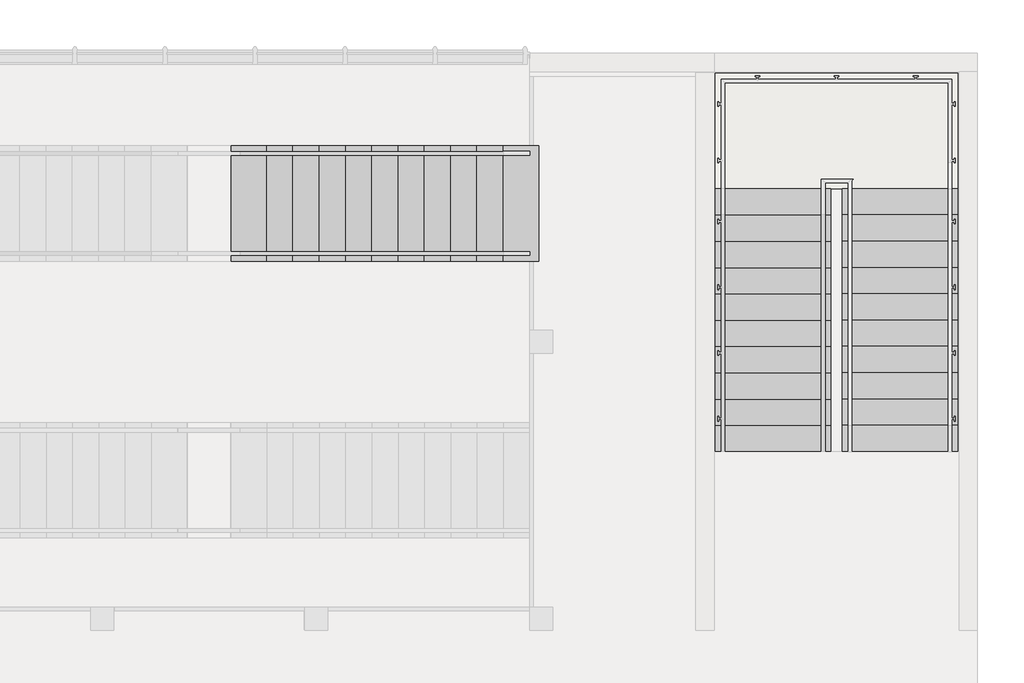
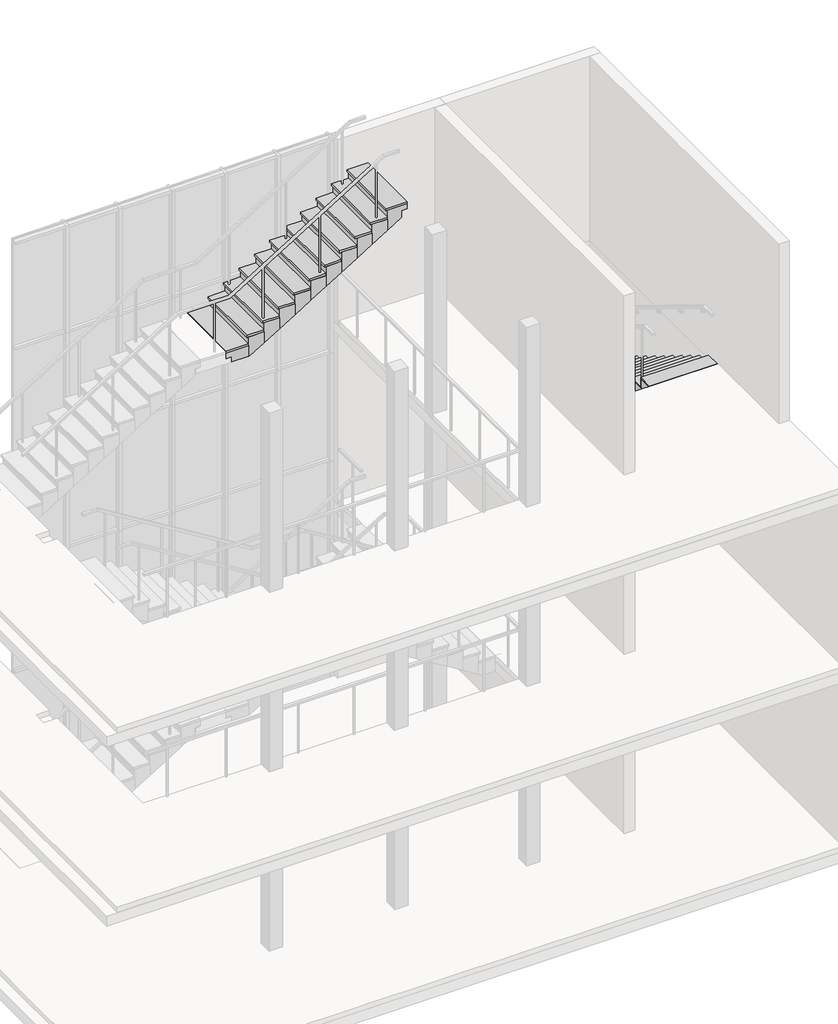
# Not in any storey, part 4 of 4: 5 stair flights, 2 slabs.
"""IFC4 building model written with IfcOpenShell, lengths in millimetres."""

from ifc_helpers import new_model, si_unit, frame, origin, origin_with_axes, place, context, project, spatial, polyline, outline, extrude, faceted_brep, element, save

model = new_model("IFC4")

# Units and contexts
model_context = context("Model", 3, world=origin())
ifc_project = project(units=[si_unit("LENGTHUNIT", "METRE", prefix="MILLI")], contexts=[model_context])

# Site, building
site = spatial("IfcSite", under=ifc_project)
building = spatial("IfcBuilding", under=site)

# Slabs
placement = place(None, origin())
element("IfcSlab", 1, ObjectType="Podest 180", at=placement, inside=building, context=model_context, shape_type="SolidModel", body=[
    faceted_brep([(10954.6, 6835.4, 5230.0), (12204.6, 6835.4, 5230.0), (12329.6, 6835.4, 5230.0), (12329.6, 6815.4, 5230.0), (13579.6, 6815.4, 5230.0), (13579.6, 6835.4, 5230.0), (13579.6, 8085.4, 5230.0), (10954.6, 8085.4, 5230.0), (10954.6, 6911.902663, 5230.0), (10954.6, 6835.4, 4983.0246806), (12204.6, 6835.4, 4983.0246806), (12204.6, 6835.4, 5030.0), (12329.6, 6835.4, 5030.0), (12329.6, 6815.4, 5030.0), (13579.6, 6815.4, 5030.0), (13579.6, 6835.4, 5030.0), (13579.6, 8085.4, 5030.0), (10954.6, 8085.4, 5030.0), (10954.6, 6911.902663, 5030.0), (12204.6, 6911.902663, 5030.0)], [[[0, 1, 2, 3, 4, 5, 6, 7, 8]], [[1, 0, 9, 10, 11]], [[2, 1, 11, 12]], [[3, 2, 12, 13]], [[4, 3, 13, 14]], [[5, 4, 14, 15]], [[6, 5, 15, 16]], [[7, 6, 16, 17]], [[9, 0, 8, 7, 17, 18]], [[19, 18, 17, 16, 15, 14, 13, 12, 11]], [[18, 19, 10, 9]], [[19, 11, 10]]]),
    extrude(outline(polyline([(10954.6, 6835.4), (10954.6, 8085.4), (13579.6, 8085.4), (13579.6, 6835.4), (13579.6, 6815.4), (12329.6, 6815.4), (12329.6, 6835.4), (12204.6, 6835.4), (10954.6, 6835.4)])), frame((0.0, 0.0, 5230.0), z_axis=(0.0, 0.0, 1.0), x_axis=(1.0, 0.0, 0.0)), (0.0, 0.0, 1.0), 20.0),
])
element("IfcSlab", 2, ObjectType="Podest 180", at=placement, inside=building, context=model_context, shape_type="SolidModel", body=[
    faceted_brep([(10954.6, 6835.4, 1730.0), (12204.6, 6835.4, 1730.0), (12329.6, 6835.4, 1730.0), (12329.6, 6815.4, 1730.0), (13579.6, 6815.4, 1730.0), (13579.6, 6835.4, 1730.0), (13579.6, 8085.4, 1730.0), (10954.6, 8085.4, 1730.0), (10954.6, 6911.902663, 1730.0), (10954.6, 6835.4, 1483.0246806), (12204.6, 6835.4, 1483.0246806), (12204.6, 6835.4, 1530.0), (12329.6, 6835.4, 1530.0), (12329.6, 6815.4, 1530.0), (13579.6, 6815.4, 1530.0), (13579.6, 6835.4, 1530.0), (13579.6, 8085.4, 1530.0), (10954.6, 8085.4, 1530.0), (10954.6, 6911.902663, 1530.0), (12204.6, 6911.902663, 1530.0)], [[[0, 1, 2, 3, 4, 5, 6, 7, 8]], [[1, 0, 9, 10, 11]], [[2, 1, 11, 12]], [[3, 2, 12, 13]], [[4, 3, 13, 14]], [[5, 4, 14, 15]], [[6, 5, 15, 16]], [[7, 6, 16, 17]], [[9, 0, 8, 7, 17, 18]], [[19, 18, 17, 16, 15, 14, 13, 12, 11]], [[18, 19, 10, 9]], [[19, 11, 10]]]),
    extrude(outline(polyline([(10954.6, 6835.4), (10954.6, 8085.4), (13579.6, 8085.4), (13579.6, 6835.4), (13579.6, 6815.4), (12329.6, 6815.4), (12329.6, 6835.4), (12204.6, 6835.4), (10954.6, 6835.4)])), frame((0.0, 0.0, 1730.0), z_axis=(0.0, 0.0, 1.0), x_axis=(1.0, 0.0, 0.0)), (0.0, 0.0, 1.0), 20.0),
])

# Stair flights
element("IfcStairFlight", 3, at=placement, inside=building, context=model_context, shape_type="SolidModel", body=[
    faceted_brep([(10954.6, 4290.4, 3655.0), (10954.6, 4005.4, 3655.0), (12204.6, 4005.4, 3655.0), (12204.6, 4290.4, 3655.0), (10954.6, 4290.4, 3500.0), (10954.6, 4005.4, 3500.0), (12204.6, 4005.4, 3500.0), (12204.6, 4290.4, 3500.0), (10954.6, 4575.4, 3830.0), (10954.6, 4290.4, 3830.0), (12204.6, 4290.4, 3830.0), (12204.6, 4575.4, 3830.0), (10954.6, 4575.4, 3595.3053823), (10954.6, 4420.1883773, 3500.0), (12204.6, 4420.1883773, 3500.0), (12204.6, 4575.4, 3595.3053823), (10954.6, 4860.4, 4005.0), (10954.6, 4575.4, 4005.0), (12204.6, 4575.4, 4005.0), (12204.6, 4860.4, 4005.0), (10954.6, 4860.4, 3770.3053823), (12204.6, 4860.4, 3770.3053823), (10954.6, 5145.4, 4180.0), (10954.6, 4860.4, 4180.0), (12204.6, 4860.4, 4180.0), (12204.6, 5145.4, 4180.0), (10954.6, 5145.4, 3945.3053823), (12204.6, 5145.4, 3945.3053823), (10954.6, 5430.4, 4355.0), (10954.6, 5145.4, 4355.0), (12204.6, 5145.4, 4355.0), (12204.6, 5430.4, 4355.0), (10954.6, 5430.4, 4120.3053823), (12204.6, 5430.4, 4120.3053823), (10954.6, 5715.4, 4530.0), (10954.6, 5430.4, 4530.0), (12204.6, 5430.4, 4530.0), (12204.6, 5715.4, 4530.0), (10954.6, 5715.4, 4295.3053823), (12204.6, 5715.4, 4295.3053823), (10954.6, 6000.4, 4705.0), (10954.6, 5715.4, 4705.0), (12204.6, 5715.4, 4705.0), (12204.6, 6000.4, 4705.0), (10954.6, 6000.4, 4470.3053823), (12204.6, 6000.4, 4470.3053823), (10954.6, 6285.4, 4880.0), (10954.6, 6000.4, 4880.0), (12204.6, 6000.4, 4880.0), (12204.6, 6285.4, 4880.0), (10954.6, 6285.4, 4645.3053823), (12204.6, 6285.4, 4645.3053823), (10954.6, 6570.4, 5055.0), (10954.6, 6285.4, 5055.0), (12204.6, 6285.4, 5055.0), (12204.6, 6570.4, 5055.0), (10954.6, 6570.4, 4820.3053823), (12204.6, 6570.4, 4820.3053823), (10954.6, 6835.4, 5230.0), (10954.6, 6570.4, 5230.0), (12204.6, 6570.4, 5230.0), (12204.6, 6835.4, 5230.0), (10954.6, 6835.4, 4983.0246806), (12204.6, 6835.4, 4983.0246806), (12204.6, 6835.4, 5030.0)], [[[0, 1, 2, 3]], [[1, 0, 4, 5]], [[2, 1, 5, 6]], [[3, 2, 6, 7]], [[8, 9, 10, 11]], [[4, 0, 9, 8, 12, 13]], [[0, 3, 10, 9]], [[3, 7, 14, 15, 11, 10]], [[16, 17, 18, 19]], [[17, 16, 20, 12, 8]], [[8, 11, 18, 17]], [[19, 18, 11, 15, 21]], [[22, 23, 24, 25]], [[23, 22, 26, 20, 16]], [[16, 19, 24, 23]], [[25, 24, 19, 21, 27]], [[28, 29, 30, 31]], [[29, 28, 32, 26, 22]], [[22, 25, 30, 29]], [[31, 30, 25, 27, 33]], [[34, 35, 36, 37]], [[35, 34, 38, 32, 28]], [[28, 31, 36, 35]], [[37, 36, 31, 33, 39]], [[40, 41, 42, 43]], [[41, 40, 44, 38, 34]], [[34, 37, 42, 41]], [[43, 42, 37, 39, 45]], [[46, 47, 48, 49]], [[47, 46, 50, 44, 40]], [[40, 43, 48, 47]], [[49, 48, 43, 45, 51]], [[52, 53, 54, 55]], [[53, 52, 56, 50, 46]], [[46, 49, 54, 53]], [[55, 54, 49, 51, 57]], [[58, 59, 60, 61]], [[59, 58, 62, 56, 52]], [[52, 55, 60, 59]], [[61, 60, 55, 57, 63, 64]], [[58, 61, 64, 63, 62]], [[5, 4, 13, 14, 7, 6]], [[14, 13, 12, 20, 26, 32, 38, 44, 50, 56, 62, 63, 57, 51, 45, 39, 33, 27, 21, 15]]]),
    extrude(outline(polyline([(12204.6, 4005.4), (12204.6, 3985.4), (10954.6, 3985.4), (10954.6, 4005.4), (12204.6, 4005.4)])), frame((0.0, 0.0, 3500.0), z_axis=(0.0, 0.0, 1.0), x_axis=(1.0, 0.0, 0.0)), (0.0, 0.0, 1.0), 155.0),
    extrude(outline(polyline([(10954.6, 4290.4), (12204.6, 4290.4), (12204.6, 3985.4), (10954.6, 3985.4), (10954.6, 4290.4)])), frame((0.0, 0.0, 3655.0), z_axis=(0.0, 0.0, 1.0), x_axis=(1.0, 0.0, 0.0)), (0.0, 0.0, 1.0), 20.0),
    extrude(outline(polyline([(12204.6, 4290.4), (12204.6, 4270.4), (10954.6, 4270.4), (10954.6, 4290.4), (12204.6, 4290.4)])), frame((0.0, 0.0, 3675.0), z_axis=(0.0, 0.0, 1.0), x_axis=(1.0, 0.0, 0.0)), (0.0, 0.0, 1.0), 155.0),
    extrude(outline(polyline([(10954.6, 4575.4), (12204.6, 4575.4), (12204.6, 4270.4), (10954.6, 4270.4), (10954.6, 4575.4)])), frame((0.0, 0.0, 3830.0), z_axis=(0.0, 0.0, 1.0), x_axis=(1.0, 0.0, 0.0)), (0.0, 0.0, 1.0), 20.0),
    extrude(outline(polyline([(12204.6, 4575.4), (12204.6, 4555.4), (10954.6, 4555.4), (10954.6, 4575.4), (12204.6, 4575.4)])), frame((0.0, 0.0, 3850.0), z_axis=(0.0, 0.0, 1.0), x_axis=(1.0, 0.0, 0.0)), (0.0, 0.0, 1.0), 155.0),
    extrude(outline(polyline([(10954.6, 4860.4), (12204.6, 4860.4), (12204.6, 4555.4), (10954.6, 4555.4), (10954.6, 4860.4)])), frame((0.0, 0.0, 4005.0), z_axis=(0.0, 0.0, 1.0), x_axis=(1.0, 0.0, 0.0)), (0.0, 0.0, 1.0), 20.0),
    extrude(outline(polyline([(12204.6, 4860.4), (12204.6, 4840.4), (10954.6, 4840.4), (10954.6, 4860.4), (12204.6, 4860.4)])), frame((0.0, 0.0, 4025.0), z_axis=(0.0, 0.0, 1.0), x_axis=(1.0, 0.0, 0.0)), (0.0, 0.0, 1.0), 155.0),
    extrude(outline(polyline([(10954.6, 5145.4), (12204.6, 5145.4), (12204.6, 4840.4), (10954.6, 4840.4), (10954.6, 5145.4)])), frame((0.0, 0.0, 4180.0), z_axis=(0.0, 0.0, 1.0), x_axis=(1.0, 0.0, 0.0)), (0.0, 0.0, 1.0), 20.0),
    extrude(outline(polyline([(12204.6, 5145.4), (12204.6, 5125.4), (10954.6, 5125.4), (10954.6, 5145.4), (12204.6, 5145.4)])), frame((0.0, 0.0, 4200.0), z_axis=(0.0, 0.0, 1.0), x_axis=(1.0, 0.0, 0.0)), (0.0, 0.0, 1.0), 155.0),
    extrude(outline(polyline([(10954.6, 5430.4), (12204.6, 5430.4), (12204.6, 5125.4), (10954.6, 5125.4), (10954.6, 5430.4)])), frame((0.0, 0.0, 4355.0), z_axis=(0.0, 0.0, 1.0), x_axis=(1.0, 0.0, 0.0)), (0.0, 0.0, 1.0), 20.0),
    extrude(outline(polyline([(12204.6, 5430.4), (12204.6, 5410.4), (10954.6, 5410.4), (10954.6, 5430.4), (12204.6, 5430.4)])), frame((0.0, 0.0, 4375.0), z_axis=(0.0, 0.0, 1.0), x_axis=(1.0, 0.0, 0.0)), (0.0, 0.0, 1.0), 155.0),
    extrude(outline(polyline([(10954.6, 5715.4), (12204.6, 5715.4), (12204.6, 5410.4), (10954.6, 5410.4), (10954.6, 5715.4)])), frame((0.0, 0.0, 4530.0), z_axis=(0.0, 0.0, 1.0), x_axis=(1.0, 0.0, 0.0)), (0.0, 0.0, 1.0), 20.0),
    extrude(outline(polyline([(12204.6, 5715.4), (12204.6, 5695.4), (10954.6, 5695.4), (10954.6, 5715.4), (12204.6, 5715.4)])), frame((0.0, 0.0, 4550.0), z_axis=(0.0, 0.0, 1.0), x_axis=(1.0, 0.0, 0.0)), (0.0, 0.0, 1.0), 155.0),
    extrude(outline(polyline([(10954.6, 6000.4), (12204.6, 6000.4), (12204.6, 5695.4), (10954.6, 5695.4), (10954.6, 6000.4)])), frame((0.0, 0.0, 4705.0), z_axis=(0.0, 0.0, 1.0), x_axis=(1.0, 0.0, 0.0)), (0.0, 0.0, 1.0), 20.0),
    extrude(outline(polyline([(12204.6, 6000.4), (12204.6, 5980.4), (10954.6, 5980.4), (10954.6, 6000.4), (12204.6, 6000.4)])), frame((0.0, 0.0, 4725.0), z_axis=(0.0, 0.0, 1.0), x_axis=(1.0, 0.0, 0.0)), (0.0, 0.0, 1.0), 155.0),
    extrude(outline(polyline([(10954.6, 6285.4), (12204.6, 6285.4), (12204.6, 5980.4), (10954.6, 5980.4), (10954.6, 6285.4)])), frame((0.0, 0.0, 4880.0), z_axis=(0.0, 0.0, 1.0), x_axis=(1.0, 0.0, 0.0)), (0.0, 0.0, 1.0), 20.0),
    extrude(outline(polyline([(12204.6, 6285.4), (12204.6, 6265.4), (10954.6, 6265.4), (10954.6, 6285.4), (12204.6, 6285.4)])), frame((0.0, 0.0, 4900.0), z_axis=(0.0, 0.0, 1.0), x_axis=(1.0, 0.0, 0.0)), (0.0, 0.0, 1.0), 155.0),
    extrude(outline(polyline([(10954.6, 6570.4), (12204.6, 6570.4), (12204.6, 6265.4), (10954.6, 6265.4), (10954.6, 6570.4)])), frame((0.0, 0.0, 5055.0), z_axis=(0.0, 0.0, 1.0), x_axis=(1.0, 0.0, 0.0)), (0.0, 0.0, 1.0), 20.0),
    extrude(outline(polyline([(12204.6, 6570.4), (12204.6, 6550.4), (10954.6, 6550.4), (10954.6, 6570.4), (12204.6, 6570.4)])), frame((0.0, 0.0, 5075.0), z_axis=(0.0, 0.0, 1.0), x_axis=(1.0, 0.0, 0.0)), (0.0, 0.0, 1.0), 155.0),
    extrude(outline(polyline([(10954.6, 6835.4), (12204.6, 6835.4), (12204.6, 6550.4), (10954.6, 6550.4), (10954.6, 6835.4)])), frame((0.0, 0.0, 5230.0), z_axis=(0.0, 0.0, 1.0), x_axis=(1.0, 0.0, 0.0)), (0.0, 0.0, 1.0), 20.0),
])
element("IfcStairFlight", 4, at=placement, inside=building, context=model_context, shape_type="SolidModel", body=[
    faceted_brep([(13579.6, 6815.4, 5405.0), (12329.6, 6815.4, 5405.0), (12329.6, 6758.897337, 5405.0), (12329.6, 6530.4, 5405.0), (13579.6, 6530.4, 5405.0), (13579.6, 6758.897337, 5405.0), (13579.6, 6530.4, 5170.3053823), (13579.6, 6758.897337, 5030.0), (13579.6, 6815.4, 5030.0), (13579.6, 6815.4, 5230.0), (12329.6, 6815.4, 5030.0), (12329.6, 6815.4, 5230.0), (12329.6, 6758.897337, 5030.0), (12329.6, 6530.4, 5170.3053823), (13579.6, 6245.4, 5580.0), (13579.6, 6530.4, 5580.0), (12329.6, 6530.4, 5580.0), (12329.6, 6245.4, 5580.0), (13579.6, 6245.4, 5345.3053823), (12329.6, 6245.4, 5345.3053823), (13579.6, 5960.4, 5755.0), (13579.6, 6245.4, 5755.0), (12329.6, 6245.4, 5755.0), (12329.6, 5960.4, 5755.0), (13579.6, 5960.4, 5520.3053823), (12329.6, 5960.4, 5520.3053823), (13579.6, 5675.4, 5930.0), (13579.6, 5960.4, 5930.0), (12329.6, 5960.4, 5930.0), (12329.6, 5675.4, 5930.0), (13579.6, 5675.4, 5695.3053823), (12329.6, 5675.4, 5695.3053823), (13579.6, 5390.4, 6105.0), (13579.6, 5675.4, 6105.0), (12329.6, 5675.4, 6105.0), (12329.6, 5390.4, 6105.0), (13579.6, 5390.4, 5870.3053823), (12329.6, 5390.4, 5870.3053823), (13579.6, 5105.4, 6280.0), (13579.6, 5390.4, 6280.0), (12329.6, 5390.4, 6280.0), (12329.6, 5105.4, 6280.0), (13579.6, 5105.4, 6045.3053823), (12329.6, 5105.4, 6045.3053823), (13579.6, 4820.4, 6455.0), (13579.6, 5105.4, 6455.0), (12329.6, 5105.4, 6455.0), (12329.6, 4820.4, 6455.0), (13579.6, 4820.4, 6220.3053823), (12329.6, 4820.4, 6220.3053823), (13579.6, 4535.4, 6630.0), (13579.6, 4820.4, 6630.0), (12329.6, 4820.4, 6630.0), (12329.6, 4535.4, 6630.0), (13579.6, 4535.4, 6395.3053823), (12329.6, 4535.4, 6395.3053823), (13579.6, 4250.4, 6805.0), (13579.6, 4535.4, 6805.0), (12329.6, 4535.4, 6805.0), (12329.6, 4250.4, 6805.0), (13579.6, 4250.4, 6570.3053823), (12329.6, 4250.4, 6570.3053823), (13579.6, 3985.4, 6980.0), (13579.6, 4250.4, 6980.0), (12329.6, 4250.4, 6980.0), (12329.6, 3985.4, 6980.0), (13579.6, 3985.4, 6733.0246806), (12329.6, 3985.4, 6733.0246806)], [[[0, 1, 2, 3, 4, 5]], [[4, 6, 7, 8, 9, 0, 5]], [[1, 0, 9, 8, 10, 11]], [[1, 11, 10, 12, 13, 3, 2]], [[14, 15, 16, 17]], [[15, 14, 18, 6, 4]], [[16, 15, 4, 3]], [[17, 16, 3, 13, 19]], [[20, 21, 22, 23]], [[21, 20, 24, 18, 14]], [[22, 21, 14, 17]], [[23, 22, 17, 19, 25]], [[26, 27, 28, 29]], [[27, 26, 30, 24, 20]], [[28, 27, 20, 23]], [[29, 28, 23, 25, 31]], [[32, 33, 34, 35]], [[33, 32, 36, 30, 26]], [[34, 33, 26, 29]], [[35, 34, 29, 31, 37]], [[38, 39, 40, 41]], [[39, 38, 42, 36, 32]], [[40, 39, 32, 35]], [[41, 40, 35, 37, 43]], [[44, 45, 46, 47]], [[45, 44, 48, 42, 38]], [[46, 45, 38, 41]], [[47, 46, 41, 43, 49]], [[50, 51, 52, 53]], [[51, 50, 54, 48, 44]], [[52, 51, 44, 47]], [[53, 52, 47, 49, 55]], [[56, 57, 58, 59]], [[57, 56, 60, 54, 50]], [[58, 57, 50, 53]], [[59, 58, 53, 55, 61]], [[62, 63, 64, 65]], [[63, 62, 66, 60, 56]], [[64, 63, 56, 59]], [[65, 64, 59, 61, 67]], [[62, 65, 67, 66]], [[12, 7, 6, 18, 24, 30, 36, 42, 48, 54, 60, 66, 67, 61, 55, 49, 43, 37, 31, 25, 19, 13]], [[7, 12, 10, 8]]]),
    extrude(outline(polyline([(12329.6, 6815.4), (12329.6, 6835.4), (13579.6, 6835.4), (13579.6, 6815.4), (12329.6, 6815.4)])), frame((0.0, 0.0, 5250.0), z_axis=(0.0, 0.0, 1.0), x_axis=(1.0, 0.0, 0.0)), (0.0, 0.0, 1.0), 155.0),
    extrude(outline(polyline([(13579.6, 6530.4), (12329.6, 6530.4), (12329.6, 6835.4), (13579.6, 6835.4), (13579.6, 6530.4)])), frame((0.0, 0.0, 5405.0), z_axis=(0.0, 0.0, 1.0), x_axis=(1.0, 0.0, 0.0)), (0.0, 0.0, 1.0), 20.0),
    extrude(outline(polyline([(12329.6, 6530.4), (12329.6, 6550.4), (13579.6, 6550.4), (13579.6, 6530.4), (12329.6, 6530.4)])), frame((0.0, 0.0, 5425.0), z_axis=(0.0, 0.0, 1.0), x_axis=(1.0, 0.0, 0.0)), (0.0, 0.0, 1.0), 155.0),
    extrude(outline(polyline([(13579.6, 6245.4), (12329.6, 6245.4), (12329.6, 6550.4), (13579.6, 6550.4), (13579.6, 6245.4)])), frame((0.0, 0.0, 5580.0), z_axis=(0.0, 0.0, 1.0), x_axis=(1.0, 0.0, 0.0)), (0.0, 0.0, 1.0), 20.0),
    extrude(outline(polyline([(12329.6, 6245.4), (12329.6, 6265.4), (13579.6, 6265.4), (13579.6, 6245.4), (12329.6, 6245.4)])), frame((0.0, 0.0, 5600.0), z_axis=(0.0, 0.0, 1.0), x_axis=(1.0, 0.0, 0.0)), (0.0, 0.0, 1.0), 155.0),
    extrude(outline(polyline([(13579.6, 5960.4), (12329.6, 5960.4), (12329.6, 6265.4), (13579.6, 6265.4), (13579.6, 5960.4)])), frame((0.0, 0.0, 5755.0), z_axis=(0.0, 0.0, 1.0), x_axis=(1.0, 0.0, 0.0)), (0.0, 0.0, 1.0), 20.0),
    extrude(outline(polyline([(12329.6, 5960.4), (12329.6, 5980.4), (13579.6, 5980.4), (13579.6, 5960.4), (12329.6, 5960.4)])), frame((0.0, 0.0, 5775.0), z_axis=(0.0, 0.0, 1.0), x_axis=(1.0, 0.0, 0.0)), (0.0, 0.0, 1.0), 155.0),
    extrude(outline(polyline([(13579.6, 5675.4), (12329.6, 5675.4), (12329.6, 5980.4), (13579.6, 5980.4), (13579.6, 5675.4)])), frame((0.0, 0.0, 5930.0), z_axis=(0.0, 0.0, 1.0), x_axis=(1.0, 0.0, 0.0)), (0.0, 0.0, 1.0), 20.0),
    extrude(outline(polyline([(12329.6, 5675.4), (12329.6, 5695.4), (13579.6, 5695.4), (13579.6, 5675.4), (12329.6, 5675.4)])), frame((0.0, 0.0, 5950.0), z_axis=(0.0, 0.0, 1.0), x_axis=(1.0, 0.0, 0.0)), (0.0, 0.0, 1.0), 155.0),
    extrude(outline(polyline([(13579.6, 5390.4), (12329.6, 5390.4), (12329.6, 5695.4), (13579.6, 5695.4), (13579.6, 5390.4)])), frame((0.0, 0.0, 6105.0), z_axis=(0.0, 0.0, 1.0), x_axis=(1.0, 0.0, 0.0)), (0.0, 0.0, 1.0), 20.0),
    extrude(outline(polyline([(12329.6, 5390.4), (12329.6, 5410.4), (13579.6, 5410.4), (13579.6, 5390.4), (12329.6, 5390.4)])), frame((0.0, 0.0, 6125.0), z_axis=(0.0, 0.0, 1.0), x_axis=(1.0, 0.0, 0.0)), (0.0, 0.0, 1.0), 155.0),
    extrude(outline(polyline([(13579.6, 5105.4), (12329.6, 5105.4), (12329.6, 5410.4), (13579.6, 5410.4), (13579.6, 5105.4)])), frame((0.0, 0.0, 6280.0), z_axis=(0.0, 0.0, 1.0), x_axis=(1.0, 0.0, 0.0)), (0.0, 0.0, 1.0), 20.0),
    extrude(outline(polyline([(12329.6, 5105.4), (12329.6, 5125.4), (13579.6, 5125.4), (13579.6, 5105.4), (12329.6, 5105.4)])), frame((0.0, 0.0, 6300.0), z_axis=(0.0, 0.0, 1.0), x_axis=(1.0, 0.0, 0.0)), (0.0, 0.0, 1.0), 155.0),
    extrude(outline(polyline([(13579.6, 4820.4), (12329.6, 4820.4), (12329.6, 5125.4), (13579.6, 5125.4), (13579.6, 4820.4)])), frame((0.0, 0.0, 6455.0), z_axis=(0.0, 0.0, 1.0), x_axis=(1.0, 0.0, 0.0)), (0.0, 0.0, 1.0), 20.0),
    extrude(outline(polyline([(12329.6, 4820.4), (12329.6, 4840.4), (13579.6, 4840.4), (13579.6, 4820.4), (12329.6, 4820.4)])), frame((0.0, 0.0, 6475.0), z_axis=(0.0, 0.0, 1.0), x_axis=(1.0, 0.0, 0.0)), (0.0, 0.0, 1.0), 155.0),
    extrude(outline(polyline([(13579.6, 4535.4), (12329.6, 4535.4), (12329.6, 4840.4), (13579.6, 4840.4), (13579.6, 4535.4)])), frame((0.0, 0.0, 6630.0), z_axis=(0.0, 0.0, 1.0), x_axis=(1.0, 0.0, 0.0)), (0.0, 0.0, 1.0), 20.0),
    extrude(outline(polyline([(12329.6, 4535.4), (12329.6, 4555.4), (13579.6, 4555.4), (13579.6, 4535.4), (12329.6, 4535.4)])), frame((0.0, 0.0, 6650.0), z_axis=(0.0, 0.0, 1.0), x_axis=(1.0, 0.0, 0.0)), (0.0, 0.0, 1.0), 155.0),
    extrude(outline(polyline([(13579.6, 4250.4), (12329.6, 4250.4), (12329.6, 4555.4), (13579.6, 4555.4), (13579.6, 4250.4)])), frame((0.0, 0.0, 6805.0), z_axis=(0.0, 0.0, 1.0), x_axis=(1.0, 0.0, 0.0)), (0.0, 0.0, 1.0), 20.0),
    extrude(outline(polyline([(12329.6, 4250.4), (12329.6, 4270.4), (13579.6, 4270.4), (13579.6, 4250.4), (12329.6, 4250.4)])), frame((0.0, 0.0, 6825.0), z_axis=(0.0, 0.0, 1.0), x_axis=(1.0, 0.0, 0.0)), (0.0, 0.0, 1.0), 155.0),
    extrude(outline(polyline([(13579.6, 3985.4), (12329.6, 3985.4), (12329.6, 4270.4), (13579.6, 4270.4), (13579.6, 3985.4)])), frame((0.0, 0.0, 6980.0), z_axis=(0.0, 0.0, 1.0), x_axis=(1.0, 0.0, 0.0)), (0.0, 0.0, 1.0), 20.0),
])
element("IfcStairFlight", 5, at=placement, inside=building, context=model_context, shape_type="SolidModel", body=[
    faceted_brep([(10954.6, 4290.4, 155.0), (10954.6, 4005.4, 155.0), (12204.6, 4005.4, 155.0), (12204.6, 4290.4, 155.0), (10954.6, 4290.4, 0.0), (10954.6, 4005.4, 0.0), (12204.6, 4005.4, 0.0), (12204.6, 4290.4, 0.0), (10954.6, 4575.4, 330.0), (10954.6, 4290.4, 330.0), (12204.6, 4290.4, 330.0), (12204.6, 4575.4, 330.0), (10954.6, 4575.4, 95.3053823), (10954.6, 4420.1883773, 0.0), (12204.6, 4420.1883773, 0.0), (12204.6, 4575.4, 95.3053823), (10954.6, 4860.4, 505.0), (10954.6, 4575.4, 505.0), (12204.6, 4575.4, 505.0), (12204.6, 4860.4, 505.0), (10954.6, 4860.4, 270.3053823), (12204.6, 4860.4, 270.3053823), (10954.6, 5145.4, 680.0), (10954.6, 4860.4, 680.0), (12204.6, 4860.4, 680.0), (12204.6, 5145.4, 680.0), (10954.6, 5145.4, 445.3053823), (12204.6, 5145.4, 445.3053823), (10954.6, 5430.4, 855.0), (10954.6, 5145.4, 855.0), (12204.6, 5145.4, 855.0), (12204.6, 5430.4, 855.0), (10954.6, 5430.4, 620.3053823), (12204.6, 5430.4, 620.3053823), (10954.6, 5715.4, 1030.0), (10954.6, 5430.4, 1030.0), (12204.6, 5430.4, 1030.0), (12204.6, 5715.4, 1030.0), (10954.6, 5715.4, 795.3053823), (12204.6, 5715.4, 795.3053823), (10954.6, 6000.4, 1205.0), (10954.6, 5715.4, 1205.0), (12204.6, 5715.4, 1205.0), (12204.6, 6000.4, 1205.0), (10954.6, 6000.4, 970.3053823), (12204.6, 6000.4, 970.3053823), (10954.6, 6285.4, 1380.0), (10954.6, 6000.4, 1380.0), (12204.6, 6000.4, 1380.0), (12204.6, 6285.4, 1380.0), (10954.6, 6285.4, 1145.3053823), (12204.6, 6285.4, 1145.3053823), (10954.6, 6570.4, 1555.0), (10954.6, 6285.4, 1555.0), (12204.6, 6285.4, 1555.0), (12204.6, 6570.4, 1555.0), (10954.6, 6570.4, 1320.3053823), (12204.6, 6570.4, 1320.3053823), (10954.6, 6835.4, 1730.0), (10954.6, 6570.4, 1730.0), (12204.6, 6570.4, 1730.0), (12204.6, 6835.4, 1730.0), (10954.6, 6835.4, 1483.0246806), (12204.6, 6835.4, 1483.0246806), (12204.6, 6835.4, 1530.0)], [[[0, 1, 2, 3]], [[1, 0, 4, 5]], [[2, 1, 5, 6]], [[3, 2, 6, 7]], [[8, 9, 10, 11]], [[4, 0, 9, 8, 12, 13]], [[0, 3, 10, 9]], [[3, 7, 14, 15, 11, 10]], [[16, 17, 18, 19]], [[17, 16, 20, 12, 8]], [[8, 11, 18, 17]], [[19, 18, 11, 15, 21]], [[22, 23, 24, 25]], [[23, 22, 26, 20, 16]], [[16, 19, 24, 23]], [[25, 24, 19, 21, 27]], [[28, 29, 30, 31]], [[29, 28, 32, 26, 22]], [[22, 25, 30, 29]], [[31, 30, 25, 27, 33]], [[34, 35, 36, 37]], [[35, 34, 38, 32, 28]], [[28, 31, 36, 35]], [[37, 36, 31, 33, 39]], [[40, 41, 42, 43]], [[41, 40, 44, 38, 34]], [[34, 37, 42, 41]], [[43, 42, 37, 39, 45]], [[46, 47, 48, 49]], [[47, 46, 50, 44, 40]], [[40, 43, 48, 47]], [[49, 48, 43, 45, 51]], [[52, 53, 54, 55]], [[53, 52, 56, 50, 46]], [[46, 49, 54, 53]], [[55, 54, 49, 51, 57]], [[58, 59, 60, 61]], [[59, 58, 62, 56, 52]], [[52, 55, 60, 59]], [[61, 60, 55, 57, 63, 64]], [[58, 61, 64, 63, 62]], [[5, 4, 13, 14, 7, 6]], [[14, 13, 12, 20, 26, 32, 38, 44, 50, 56, 62, 63, 57, 51, 45, 39, 33, 27, 21, 15]]]),
    extrude(outline(polyline([(12204.6, 4005.4), (12204.6, 3985.4), (10954.6, 3985.4), (10954.6, 4005.4), (12204.6, 4005.4)])), origin_with_axes(), (0.0, 0.0, 1.0), 155.0),
    extrude(outline(polyline([(10954.6, 4290.4), (12204.6, 4290.4), (12204.6, 3985.4), (10954.6, 3985.4), (10954.6, 4290.4)])), frame((0.0, 0.0, 155.0), z_axis=(0.0, 0.0, 1.0), x_axis=(1.0, 0.0, 0.0)), (0.0, 0.0, 1.0), 20.0),
    extrude(outline(polyline([(12204.6, 4290.4), (12204.6, 4270.4), (10954.6, 4270.4), (10954.6, 4290.4), (12204.6, 4290.4)])), frame((0.0, 0.0, 175.0), z_axis=(0.0, 0.0, 1.0), x_axis=(1.0, 0.0, 0.0)), (0.0, 0.0, 1.0), 155.0),
    extrude(outline(polyline([(10954.6, 4575.4), (12204.6, 4575.4), (12204.6, 4270.4), (10954.6, 4270.4), (10954.6, 4575.4)])), frame((0.0, 0.0, 330.0), z_axis=(0.0, 0.0, 1.0), x_axis=(1.0, 0.0, 0.0)), (0.0, 0.0, 1.0), 20.0),
    extrude(outline(polyline([(12204.6, 4575.4), (12204.6, 4555.4), (10954.6, 4555.4), (10954.6, 4575.4), (12204.6, 4575.4)])), frame((0.0, 0.0, 350.0), z_axis=(0.0, 0.0, 1.0), x_axis=(1.0, 0.0, 0.0)), (0.0, 0.0, 1.0), 155.0),
    extrude(outline(polyline([(10954.6, 4860.4), (12204.6, 4860.4), (12204.6, 4555.4), (10954.6, 4555.4), (10954.6, 4860.4)])), frame((0.0, 0.0, 505.0), z_axis=(0.0, 0.0, 1.0), x_axis=(1.0, 0.0, 0.0)), (0.0, 0.0, 1.0), 20.0),
    extrude(outline(polyline([(12204.6, 4860.4), (12204.6, 4840.4), (10954.6, 4840.4), (10954.6, 4860.4), (12204.6, 4860.4)])), frame((0.0, 0.0, 525.0), z_axis=(0.0, 0.0, 1.0), x_axis=(1.0, 0.0, 0.0)), (0.0, 0.0, 1.0), 155.0),
    extrude(outline(polyline([(10954.6, 5145.4), (12204.6, 5145.4), (12204.6, 4840.4), (10954.6, 4840.4), (10954.6, 5145.4)])), frame((0.0, 0.0, 680.0), z_axis=(0.0, 0.0, 1.0), x_axis=(1.0, 0.0, 0.0)), (0.0, 0.0, 1.0), 20.0),
    extrude(outline(polyline([(12204.6, 5145.4), (12204.6, 5125.4), (10954.6, 5125.4), (10954.6, 5145.4), (12204.6, 5145.4)])), frame((0.0, 0.0, 700.0), z_axis=(0.0, 0.0, 1.0), x_axis=(1.0, 0.0, 0.0)), (0.0, 0.0, 1.0), 155.0),
    extrude(outline(polyline([(10954.6, 5430.4), (12204.6, 5430.4), (12204.6, 5125.4), (10954.6, 5125.4), (10954.6, 5430.4)])), frame((0.0, 0.0, 855.0), z_axis=(0.0, 0.0, 1.0), x_axis=(1.0, 0.0, 0.0)), (0.0, 0.0, 1.0), 20.0),
    extrude(outline(polyline([(12204.6, 5430.4), (12204.6, 5410.4), (10954.6, 5410.4), (10954.6, 5430.4), (12204.6, 5430.4)])), frame((0.0, 0.0, 875.0), z_axis=(0.0, 0.0, 1.0), x_axis=(1.0, 0.0, 0.0)), (0.0, 0.0, 1.0), 155.0),
    extrude(outline(polyline([(10954.6, 5715.4), (12204.6, 5715.4), (12204.6, 5410.4), (10954.6, 5410.4), (10954.6, 5715.4)])), frame((0.0, 0.0, 1030.0), z_axis=(0.0, 0.0, 1.0), x_axis=(1.0, 0.0, 0.0)), (0.0, 0.0, 1.0), 20.0),
    extrude(outline(polyline([(12204.6, 5715.4), (12204.6, 5695.4), (10954.6, 5695.4), (10954.6, 5715.4), (12204.6, 5715.4)])), frame((0.0, 0.0, 1050.0), z_axis=(0.0, 0.0, 1.0), x_axis=(1.0, 0.0, 0.0)), (0.0, 0.0, 1.0), 155.0),
    extrude(outline(polyline([(10954.6, 6000.4), (12204.6, 6000.4), (12204.6, 5695.4), (10954.6, 5695.4), (10954.6, 6000.4)])), frame((0.0, 0.0, 1205.0), z_axis=(0.0, 0.0, 1.0), x_axis=(1.0, 0.0, 0.0)), (0.0, 0.0, 1.0), 20.0),
    extrude(outline(polyline([(12204.6, 6000.4), (12204.6, 5980.4), (10954.6, 5980.4), (10954.6, 6000.4), (12204.6, 6000.4)])), frame((0.0, 0.0, 1225.0), z_axis=(0.0, 0.0, 1.0), x_axis=(1.0, 0.0, 0.0)), (0.0, 0.0, 1.0), 155.0),
    extrude(outline(polyline([(10954.6, 6285.4), (12204.6, 6285.4), (12204.6, 5980.4), (10954.6, 5980.4), (10954.6, 6285.4)])), frame((0.0, 0.0, 1380.0), z_axis=(0.0, 0.0, 1.0), x_axis=(1.0, 0.0, 0.0)), (0.0, 0.0, 1.0), 20.0),
    extrude(outline(polyline([(12204.6, 6285.4), (12204.6, 6265.4), (10954.6, 6265.4), (10954.6, 6285.4), (12204.6, 6285.4)])), frame((0.0, 0.0, 1400.0), z_axis=(0.0, 0.0, 1.0), x_axis=(1.0, 0.0, 0.0)), (0.0, 0.0, 1.0), 155.0),
    extrude(outline(polyline([(10954.6, 6570.4), (12204.6, 6570.4), (12204.6, 6265.4), (10954.6, 6265.4), (10954.6, 6570.4)])), frame((0.0, 0.0, 1555.0), z_axis=(0.0, 0.0, 1.0), x_axis=(1.0, 0.0, 0.0)), (0.0, 0.0, 1.0), 20.0),
    extrude(outline(polyline([(12204.6, 6570.4), (12204.6, 6550.4), (10954.6, 6550.4), (10954.6, 6570.4), (12204.6, 6570.4)])), frame((0.0, 0.0, 1575.0), z_axis=(0.0, 0.0, 1.0), x_axis=(1.0, 0.0, 0.0)), (0.0, 0.0, 1.0), 155.0),
    extrude(outline(polyline([(10954.6, 6835.4), (12204.6, 6835.4), (12204.6, 6550.4), (10954.6, 6550.4), (10954.6, 6835.4)])), frame((0.0, 0.0, 1730.0), z_axis=(0.0, 0.0, 1.0), x_axis=(1.0, 0.0, 0.0)), (0.0, 0.0, 1.0), 20.0),
])
element("IfcStairFlight", 6, at=placement, inside=building, context=model_context, shape_type="SolidModel", body=[
    faceted_brep([(13579.6, 6815.4, 1905.0), (12329.6, 6815.4, 1905.0), (12329.6, 6758.897337, 1905.0), (12329.6, 6530.4, 1905.0), (13579.6, 6530.4, 1905.0), (13579.6, 6758.897337, 1905.0), (13579.6, 6530.4, 1670.3053823), (13579.6, 6758.897337, 1530.0), (13579.6, 6815.4, 1530.0), (13579.6, 6815.4, 1730.0), (12329.6, 6815.4, 1530.0), (12329.6, 6815.4, 1730.0), (12329.6, 6758.897337, 1530.0), (12329.6, 6530.4, 1670.3053823), (13579.6, 6245.4, 2080.0), (13579.6, 6530.4, 2080.0), (12329.6, 6530.4, 2080.0), (12329.6, 6245.4, 2080.0), (13579.6, 6245.4, 1845.3053823), (12329.6, 6245.4, 1845.3053823), (13579.6, 5960.4, 2255.0), (13579.6, 6245.4, 2255.0), (12329.6, 6245.4, 2255.0), (12329.6, 5960.4, 2255.0), (13579.6, 5960.4, 2020.3053823), (12329.6, 5960.4, 2020.3053823), (13579.6, 5675.4, 2430.0), (13579.6, 5960.4, 2430.0), (12329.6, 5960.4, 2430.0), (12329.6, 5675.4, 2430.0), (13579.6, 5675.4, 2195.3053823), (12329.6, 5675.4, 2195.3053823), (13579.6, 5390.4, 2605.0), (13579.6, 5675.4, 2605.0), (12329.6, 5675.4, 2605.0), (12329.6, 5390.4, 2605.0), (13579.6, 5390.4, 2370.3053823), (12329.6, 5390.4, 2370.3053823), (13579.6, 5105.4, 2780.0), (13579.6, 5390.4, 2780.0), (12329.6, 5390.4, 2780.0), (12329.6, 5105.4, 2780.0), (13579.6, 5105.4, 2545.3053823), (12329.6, 5105.4, 2545.3053823), (13579.6, 4820.4, 2955.0), (13579.6, 5105.4, 2955.0), (12329.6, 5105.4, 2955.0), (12329.6, 4820.4, 2955.0), (13579.6, 4820.4, 2720.3053823), (12329.6, 4820.4, 2720.3053823), (13579.6, 4535.4, 3130.0), (13579.6, 4820.4, 3130.0), (12329.6, 4820.4, 3130.0), (12329.6, 4535.4, 3130.0), (13579.6, 4535.4, 2895.3053823), (12329.6, 4535.4, 2895.3053823), (13579.6, 4250.4, 3305.0), (13579.6, 4535.4, 3305.0), (12329.6, 4535.4, 3305.0), (12329.6, 4250.4, 3305.0), (13579.6, 4250.4, 3070.3053823), (12329.6, 4250.4, 3070.3053823), (13579.6, 3985.4, 3480.0), (13579.6, 4250.4, 3480.0), (12329.6, 4250.4, 3480.0), (12329.6, 3985.4, 3480.0), (13579.6, 3985.4, 3233.0246806), (12329.6, 3985.4, 3233.0246806)], [[[0, 1, 2, 3, 4, 5]], [[4, 6, 7, 8, 9, 0, 5]], [[1, 0, 9, 8, 10, 11]], [[1, 11, 10, 12, 13, 3, 2]], [[14, 15, 16, 17]], [[15, 14, 18, 6, 4]], [[16, 15, 4, 3]], [[17, 16, 3, 13, 19]], [[20, 21, 22, 23]], [[21, 20, 24, 18, 14]], [[22, 21, 14, 17]], [[23, 22, 17, 19, 25]], [[26, 27, 28, 29]], [[27, 26, 30, 24, 20]], [[28, 27, 20, 23]], [[29, 28, 23, 25, 31]], [[32, 33, 34, 35]], [[33, 32, 36, 30, 26]], [[34, 33, 26, 29]], [[35, 34, 29, 31, 37]], [[38, 39, 40, 41]], [[39, 38, 42, 36, 32]], [[40, 39, 32, 35]], [[41, 40, 35, 37, 43]], [[44, 45, 46, 47]], [[45, 44, 48, 42, 38]], [[46, 45, 38, 41]], [[47, 46, 41, 43, 49]], [[50, 51, 52, 53]], [[51, 50, 54, 48, 44]], [[52, 51, 44, 47]], [[53, 52, 47, 49, 55]], [[56, 57, 58, 59]], [[57, 56, 60, 54, 50]], [[58, 57, 50, 53]], [[59, 58, 53, 55, 61]], [[62, 63, 64, 65]], [[63, 62, 66, 60, 56]], [[64, 63, 56, 59]], [[65, 64, 59, 61, 67]], [[62, 65, 67, 66]], [[12, 7, 6, 18, 24, 30, 36, 42, 48, 54, 60, 66, 67, 61, 55, 49, 43, 37, 31, 25, 19, 13]], [[7, 12, 10, 8]]]),
    extrude(outline(polyline([(12329.6, 6815.4), (12329.6, 6835.4), (13579.6, 6835.4), (13579.6, 6815.4), (12329.6, 6815.4)])), frame((0.0, 0.0, 1750.0), z_axis=(0.0, 0.0, 1.0), x_axis=(1.0, 0.0, 0.0)), (0.0, 0.0, 1.0), 155.0),
    extrude(outline(polyline([(13579.6, 6530.4), (12329.6, 6530.4), (12329.6, 6835.4), (13579.6, 6835.4), (13579.6, 6530.4)])), frame((0.0, 0.0, 1905.0), z_axis=(0.0, 0.0, 1.0), x_axis=(1.0, 0.0, 0.0)), (0.0, 0.0, 1.0), 20.0),
    extrude(outline(polyline([(12329.6, 6530.4), (12329.6, 6550.4), (13579.6, 6550.4), (13579.6, 6530.4), (12329.6, 6530.4)])), frame((0.0, 0.0, 1925.0), z_axis=(0.0, 0.0, 1.0), x_axis=(1.0, 0.0, 0.0)), (0.0, 0.0, 1.0), 155.0),
    extrude(outline(polyline([(13579.6, 6245.4), (12329.6, 6245.4), (12329.6, 6550.4), (13579.6, 6550.4), (13579.6, 6245.4)])), frame((0.0, 0.0, 2080.0), z_axis=(0.0, 0.0, 1.0), x_axis=(1.0, 0.0, 0.0)), (0.0, 0.0, 1.0), 20.0),
    extrude(outline(polyline([(12329.6, 6245.4), (12329.6, 6265.4), (13579.6, 6265.4), (13579.6, 6245.4), (12329.6, 6245.4)])), frame((0.0, 0.0, 2100.0), z_axis=(0.0, 0.0, 1.0), x_axis=(1.0, 0.0, 0.0)), (0.0, 0.0, 1.0), 155.0),
    extrude(outline(polyline([(13579.6, 5960.4), (12329.6, 5960.4), (12329.6, 6265.4), (13579.6, 6265.4), (13579.6, 5960.4)])), frame((0.0, 0.0, 2255.0), z_axis=(0.0, 0.0, 1.0), x_axis=(1.0, 0.0, 0.0)), (0.0, 0.0, 1.0), 20.0),
    extrude(outline(polyline([(12329.6, 5960.4), (12329.6, 5980.4), (13579.6, 5980.4), (13579.6, 5960.4), (12329.6, 5960.4)])), frame((0.0, 0.0, 2275.0), z_axis=(0.0, 0.0, 1.0), x_axis=(1.0, 0.0, 0.0)), (0.0, 0.0, 1.0), 155.0),
    extrude(outline(polyline([(13579.6, 5675.4), (12329.6, 5675.4), (12329.6, 5980.4), (13579.6, 5980.4), (13579.6, 5675.4)])), frame((0.0, 0.0, 2430.0), z_axis=(0.0, 0.0, 1.0), x_axis=(1.0, 0.0, 0.0)), (0.0, 0.0, 1.0), 20.0),
    extrude(outline(polyline([(12329.6, 5675.4), (12329.6, 5695.4), (13579.6, 5695.4), (13579.6, 5675.4), (12329.6, 5675.4)])), frame((0.0, 0.0, 2450.0), z_axis=(0.0, 0.0, 1.0), x_axis=(1.0, 0.0, 0.0)), (0.0, 0.0, 1.0), 155.0),
    extrude(outline(polyline([(13579.6, 5390.4), (12329.6, 5390.4), (12329.6, 5695.4), (13579.6, 5695.4), (13579.6, 5390.4)])), frame((0.0, 0.0, 2605.0), z_axis=(0.0, 0.0, 1.0), x_axis=(1.0, 0.0, 0.0)), (0.0, 0.0, 1.0), 20.0),
    extrude(outline(polyline([(12329.6, 5390.4), (12329.6, 5410.4), (13579.6, 5410.4), (13579.6, 5390.4), (12329.6, 5390.4)])), frame((0.0, 0.0, 2625.0), z_axis=(0.0, 0.0, 1.0), x_axis=(1.0, 0.0, 0.0)), (0.0, 0.0, 1.0), 155.0),
    extrude(outline(polyline([(13579.6, 5105.4), (12329.6, 5105.4), (12329.6, 5410.4), (13579.6, 5410.4), (13579.6, 5105.4)])), frame((0.0, 0.0, 2780.0), z_axis=(0.0, 0.0, 1.0), x_axis=(1.0, 0.0, 0.0)), (0.0, 0.0, 1.0), 20.0),
    extrude(outline(polyline([(12329.6, 5105.4), (12329.6, 5125.4), (13579.6, 5125.4), (13579.6, 5105.4), (12329.6, 5105.4)])), frame((0.0, 0.0, 2800.0), z_axis=(0.0, 0.0, 1.0), x_axis=(1.0, 0.0, 0.0)), (0.0, 0.0, 1.0), 155.0),
    extrude(outline(polyline([(13579.6, 4820.4), (12329.6, 4820.4), (12329.6, 5125.4), (13579.6, 5125.4), (13579.6, 4820.4)])), frame((0.0, 0.0, 2955.0), z_axis=(0.0, 0.0, 1.0), x_axis=(1.0, 0.0, 0.0)), (0.0, 0.0, 1.0), 20.0),
    extrude(outline(polyline([(12329.6, 4820.4), (12329.6, 4840.4), (13579.6, 4840.4), (13579.6, 4820.4), (12329.6, 4820.4)])), frame((0.0, 0.0, 2975.0), z_axis=(0.0, 0.0, 1.0), x_axis=(1.0, 0.0, 0.0)), (0.0, 0.0, 1.0), 155.0),
    extrude(outline(polyline([(13579.6, 4535.4), (12329.6, 4535.4), (12329.6, 4840.4), (13579.6, 4840.4), (13579.6, 4535.4)])), frame((0.0, 0.0, 3130.0), z_axis=(0.0, 0.0, 1.0), x_axis=(1.0, 0.0, 0.0)), (0.0, 0.0, 1.0), 20.0),
    extrude(outline(polyline([(12329.6, 4535.4), (12329.6, 4555.4), (13579.6, 4555.4), (13579.6, 4535.4), (12329.6, 4535.4)])), frame((0.0, 0.0, 3150.0), z_axis=(0.0, 0.0, 1.0), x_axis=(1.0, 0.0, 0.0)), (0.0, 0.0, 1.0), 155.0),
    extrude(outline(polyline([(13579.6, 4250.4), (12329.6, 4250.4), (12329.6, 4555.4), (13579.6, 4555.4), (13579.6, 4250.4)])), frame((0.0, 0.0, 3305.0), z_axis=(0.0, 0.0, 1.0), x_axis=(1.0, 0.0, 0.0)), (0.0, 0.0, 1.0), 20.0),
    extrude(outline(polyline([(12329.6, 4250.4), (12329.6, 4270.4), (13579.6, 4270.4), (13579.6, 4250.4), (12329.6, 4250.4)])), frame((0.0, 0.0, 3325.0), z_axis=(0.0, 0.0, 1.0), x_axis=(1.0, 0.0, 0.0)), (0.0, 0.0, 1.0), 155.0),
    extrude(outline(polyline([(13579.6, 3985.4), (12329.6, 3985.4), (12329.6, 4270.4), (13579.6, 4270.4), (13579.6, 3985.4)])), frame((0.0, 0.0, 3480.0), z_axis=(0.0, 0.0, 1.0), x_axis=(1.0, 0.0, 0.0)), (0.0, 0.0, 1.0), 20.0),
])
element("IfcStairFlight", 7, at=placement, inside=building, context=model_context, shape_type="SolidModel", body=[
    faceted_brep([(6120.2300045, 6050.0, 8710.0), (6120.2300045, 7300.0, 8710.0), (5705.2300045, 7300.0, 8710.0), (5705.2300045, 6050.0, 8710.0), (6120.2300045, 6050.0, 8510.0), (5705.2300045, 6050.0, 8610.0), (5805.2300045, 6050.0, 8610.0), (5805.2300045, 6050.0, 8510.0), (5805.2300045, 7300.0, 8510.0), (5805.2300045, 7300.0, 8610.0), (6120.2300045, 7300.0, 8510.0), (5705.2300045, 7300.0, 8610.0), (6138.5109727, 6050.0, 8510.0), (6138.5109727, 7300.0, 8510.0), (6405.2300045, 7300.0, 8673.7748441), (6690.2300045, 7300.0, 8848.7748441), (6975.2300045, 7300.0, 9023.7748441), (7260.2300045, 7300.0, 9198.7748441), (7545.2300045, 7300.0, 9373.7748441), (7830.2300045, 7300.0, 9548.7748441), (8115.2300045, 7300.0, 9723.7748441), (8400.2300045, 7300.0, 9898.7748441), (8685.2300045, 7300.0, 10073.7748441), (8940.2300045, 7300.0, 10230.3537915), (8940.2300045, 6050.0, 10230.3537915), (8685.2300045, 6050.0, 10073.7748441), (8400.2300045, 6050.0, 9898.7748441), (8115.2300045, 6050.0, 9723.7748441), (7830.2300045, 6050.0, 9548.7748441), (7545.2300045, 6050.0, 9373.7748441), (7260.2300045, 6050.0, 9198.7748441), (6975.2300045, 6050.0, 9023.7748441), (6690.2300045, 6050.0, 8848.7748441), (6405.2300045, 6050.0, 8673.7748441), (9040.2300045, 6050.0, 10360.0), (8940.2300045, 6050.0, 10360.0), (8940.2300045, 7300.0, 10360.0), (9040.2300045, 7300.0, 10360.0), (9040.2300045, 7300.0, 10460.0), (9040.2300045, 6050.0, 10460.0), (6120.2300045, 7300.0, 8885.0), (6120.2300045, 6050.0, 8885.0), (6138.5109727, 6050.0, 8885.0), (6405.2300045, 6050.0, 8885.0), (6405.2300045, 7300.0, 8885.0), (6138.5109727, 7300.0, 8885.0), (6690.2300045, 7300.0, 9060.0), (6405.2300045, 7300.0, 9060.0), (6405.2300045, 6050.0, 9060.0), (6690.2300045, 6050.0, 9060.0), (6975.2300045, 7300.0, 9235.0), (6690.2300045, 7300.0, 9235.0), (6690.2300045, 6050.0, 9235.0), (6975.2300045, 6050.0, 9235.0), (7260.2300045, 7300.0, 9410.0), (6975.2300045, 7300.0, 9410.0), (6975.2300045, 6050.0, 9410.0), (7260.2300045, 6050.0, 9410.0), (7545.2300045, 7300.0, 9585.0), (7260.2300045, 7300.0, 9585.0), (7260.2300045, 6050.0, 9585.0), (7545.2300045, 6050.0, 9585.0), (7830.2300045, 7300.0, 9760.0), (7545.2300045, 7300.0, 9760.0), (7545.2300045, 6050.0, 9760.0), (7830.2300045, 6050.0, 9760.0), (8115.2300045, 7300.0, 9935.0), (7830.2300045, 7300.0, 9935.0), (7830.2300045, 6050.0, 9935.0), (8115.2300045, 6050.0, 9935.0), (8400.2300045, 7300.0, 10110.0), (8115.2300045, 7300.0, 10110.0), (8115.2300045, 6050.0, 10110.0), (8400.2300045, 6050.0, 10110.0), (8685.2300045, 7300.0, 10285.0), (8400.2300045, 7300.0, 10285.0), (8400.2300045, 6050.0, 10285.0), (8685.2300045, 6050.0, 10285.0), (8685.2300045, 7300.0, 10460.0), (8685.2300045, 6050.0, 10460.0)], [[[0, 1, 2, 3]], [[4, 0, 3, 5, 6, 7]], [[8, 7, 6, 9]], [[1, 10, 8, 9, 11, 2]], [[12, 13, 14, 15, 16, 17, 18, 19, 20, 21, 22, 23, 24, 25, 26, 27, 28, 29, 30, 31, 32, 33]], [[13, 12, 4, 7, 8, 10]], [[34, 35, 36, 37]], [[34, 37, 38, 39]], [[40, 41, 42, 43, 44, 45]], [[41, 0, 4, 12, 33, 43, 42]], [[41, 40, 1, 0]], [[1, 40, 45, 44, 14, 13, 10]], [[46, 47, 48, 49]], [[49, 48, 43, 33, 32]], [[48, 47, 44, 43]], [[47, 46, 15, 14, 44]], [[50, 51, 52, 53]], [[53, 52, 49, 32, 31]], [[52, 51, 46, 49]], [[51, 50, 16, 15, 46]], [[54, 55, 56, 57]], [[57, 56, 53, 31, 30]], [[56, 55, 50, 53]], [[55, 54, 17, 16, 50]], [[58, 59, 60, 61]], [[61, 60, 57, 30, 29]], [[60, 59, 54, 57]], [[59, 58, 18, 17, 54]], [[62, 63, 64, 65]], [[65, 64, 61, 29, 28]], [[64, 63, 58, 61]], [[63, 62, 19, 18, 58]], [[66, 67, 68, 69]], [[69, 68, 65, 28, 27]], [[68, 67, 62, 65]], [[67, 66, 20, 19, 62]], [[70, 71, 72, 73]], [[73, 72, 69, 27, 26]], [[72, 71, 66, 69]], [[71, 70, 21, 20, 66]], [[11, 9, 6, 5]], [[11, 5, 3, 2]], [[74, 75, 76, 77]], [[77, 76, 73, 26, 25]], [[76, 75, 70, 73]], [[75, 74, 22, 21, 70]], [[78, 79, 39, 38]], [[39, 79, 77, 25, 24, 35, 34]], [[79, 78, 74, 77]], [[78, 38, 37, 36, 23, 22, 74]], [[24, 23, 36, 35]]]),
    extrude(outline(polyline([(6120.2300045, 7300.0), (6120.2300045, 6050.0), (5705.2300045, 6050.0), (5705.2300045, 7300.0), (6120.2300045, 7300.0)])), frame((0.0, 0.0, 8710.0), z_axis=(0.0, 0.0, 1.0), x_axis=(1.0, 0.0, 0.0)), (0.0, 0.0, 1.0), 40.0),
    extrude(outline(polyline([(6405.2300045, 7300.0), (6405.2300045, 6050.0), (6090.2300045, 6050.0), (6090.2300045, 7300.0), (6405.2300045, 7300.0)])), frame((0.0, 0.0, 8885.0), z_axis=(0.0, 0.0, 1.0), x_axis=(1.0, 0.0, 0.0)), (0.0, 0.0, 1.0), 40.0),
    extrude(outline(polyline([(6690.2300045, 7300.0), (6690.2300045, 6050.0), (6375.2300045, 6050.0), (6375.2300045, 7300.0), (6690.2300045, 7300.0)])), frame((0.0, 0.0, 9060.0), z_axis=(0.0, 0.0, 1.0), x_axis=(1.0, 0.0, 0.0)), (0.0, 0.0, 1.0), 40.0),
    extrude(outline(polyline([(6975.2300045, 7300.0), (6975.2300045, 6050.0), (6660.2300045, 6050.0), (6660.2300045, 7300.0), (6975.2300045, 7300.0)])), frame((0.0, 0.0, 9235.0), z_axis=(0.0, 0.0, 1.0), x_axis=(1.0, 0.0, 0.0)), (0.0, 0.0, 1.0), 40.0),
    extrude(outline(polyline([(7260.2300045, 7300.0), (7260.2300045, 6050.0), (6945.2300045, 6050.0), (6945.2300045, 7300.0), (7260.2300045, 7300.0)])), frame((0.0, 0.0, 9410.0), z_axis=(0.0, 0.0, 1.0), x_axis=(1.0, 0.0, 0.0)), (0.0, 0.0, 1.0), 40.0),
    extrude(outline(polyline([(7545.2300045, 7300.0), (7545.2300045, 6050.0), (7230.2300045, 6050.0), (7230.2300045, 7300.0), (7545.2300045, 7300.0)])), frame((0.0, 0.0, 9585.0), z_axis=(0.0, 0.0, 1.0), x_axis=(1.0, 0.0, 0.0)), (0.0, 0.0, 1.0), 40.0),
    extrude(outline(polyline([(7830.2300045, 7300.0), (7830.2300045, 6050.0), (7515.2300045, 6050.0), (7515.2300045, 7300.0), (7830.2300045, 7300.0)])), frame((0.0, 0.0, 9760.0), z_axis=(0.0, 0.0, 1.0), x_axis=(1.0, 0.0, 0.0)), (0.0, 0.0, 1.0), 40.0),
    extrude(outline(polyline([(8115.2300045, 7300.0), (8115.2300045, 6050.0), (7800.2300045, 6050.0), (7800.2300045, 7300.0), (8115.2300045, 7300.0)])), frame((0.0, 0.0, 9935.0), z_axis=(0.0, 0.0, 1.0), x_axis=(1.0, 0.0, 0.0)), (0.0, 0.0, 1.0), 40.0),
    extrude(outline(polyline([(8400.2300045, 7300.0), (8400.2300045, 6050.0), (8085.2300045, 6050.0), (8085.2300045, 7300.0), (8400.2300045, 7300.0)])), frame((0.0, 0.0, 10110.0), z_axis=(0.0, 0.0, 1.0), x_axis=(1.0, 0.0, 0.0)), (0.0, 0.0, 1.0), 40.0),
    extrude(outline(polyline([(8685.2300045, 7300.0), (8685.2300045, 6050.0), (8370.2300045, 6050.0), (8370.2300045, 7300.0), (8685.2300045, 7300.0)])), frame((0.0, 0.0, 10285.0), z_axis=(0.0, 0.0, 1.0), x_axis=(1.0, 0.0, 0.0)), (0.0, 0.0, 1.0), 40.0),
    extrude(outline(polyline([(9040.2300045, 7300.0), (9040.2300045, 6050.0), (8655.2300045, 6050.0), (8655.2300045, 7300.0), (9040.2300045, 7300.0)])), frame((0.0, 0.0, 10460.0), z_axis=(0.0, 0.0, 1.0), x_axis=(1.0, 0.0, 0.0)), (0.0, 0.0, 1.0), 40.0),
])

save(model, "model.ifc")
